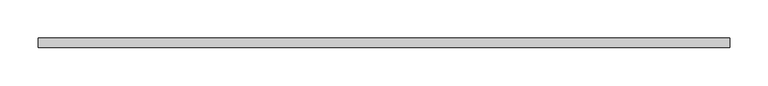
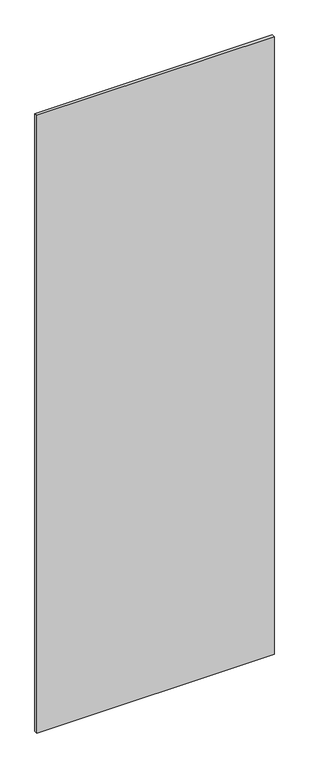
"""IFC4 building model written with IfcOpenShell, lengths in millimetres: plate geometry."""

from ifc_helpers import new_model, si_unit, frame, origin, place, context, project, spatial, polyline, outline, extrude, source, transform, mapped, element, save


def plate_82c3db8d(model_context):
    return source(origin(), model_context, "Body", "SweptSolid", [
        extrude(outline(polyline([(451.0, -6.0), (-451.0, -6.0), (-451.0, 6.0), (451.0, 6.0), (451.0, -6.0)])), frame((0.0, 0.0, 13.0), z_axis=(0.0, 0.0, 1.0), x_axis=(1.0, 0.0, 0.0)), (0.0, 0.0, 1.0), 2482.0),
    ])


if __name__ == "__main__":
    model = new_model("IFC4")
    model_context = context("Model", 3, world=origin())
    ifc_project = project(units=[si_unit("LENGTHUNIT", "METRE", prefix="MILLI")], contexts=[model_context])
    site = spatial("IfcSite", under=ifc_project)
    building = spatial("IfcBuilding", under=site)
    placement = place(None, origin())
    plate_shape = plate_82c3db8d(model_context)
    element("IfcPlate", 1, at=placement, inside=building, context=model_context, shape_type="MappedRepresentation", body=[
        mapped(plate_shape, transform((0.0, 0.0, 0.0), x_axis=(1.0, 0.0, 0.0), y_axis=(0.0, 1.0, 0.0), z_axis=(0.0, 0.0, 1.0))),
    ])
    save(model, "model.ifc")
